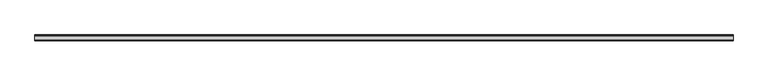
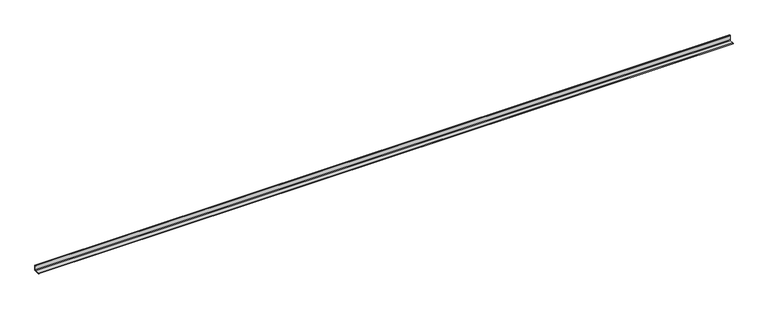
"""IFC4 building model written with IfcOpenShell, lengths in millimetres: beam geometry."""

import ifcopenshell
import ifcopenshell.guid

model = None  # the IFC model being written
_history = None  # IfcOwnerHistory: only IFC2X3 demands one
_inside = {}  # id of a spatial element -> (the spatial element, [elements in it])
_under = {}  # id of a project, library or spatial element -> (it, [spatial elements below it])
_declared = {}  # id of a project -> (the project, [libraries it declares])
_typed = {}  # id of a type object -> (the type object, [elements of that type])
_made_of = {}  # id of a material, layer set ... -> (it, [elements and type objects made of it])


def new_model(schema):
    """Start an empty IFC model of exactly this schema.

    Asked for "IFC4X3", IfcOpenShell would pick the latest addendum, in which some entities
    have other attributes; the version numbers below select the first issue.
    IFC2X3 requires an IfcOwnerHistory on every rooted entity: one is made here for all.
    """
    global model, _history
    if schema == "IFC4X3":
        model = ifcopenshell.file(schema_version=(4, 3, 0, 0))
    else:
        model = ifcopenshell.file(schema=schema)
    _inside.clear()
    _under.clear()
    _declared.clear()
    _typed.clear()
    _made_of.clear()
    _history = None
    if model.schema == "IFC2X3":
        org = make("IfcOrganization", Name="unknown")
        user = make(
            "IfcPersonAndOrganization",
            ThePerson=make("IfcPerson", FamilyName="unknown"),
            TheOrganization=org,
        )
        app = make(
            "IfcApplication",
            ApplicationDeveloper=org,
            Version="unknown",
            ApplicationFullName="unknown",
            ApplicationIdentifier="unknown",
        )
        _history = make(
            "IfcOwnerHistory",
            OwningUser=user,
            OwningApplication=app,
            ChangeAction="ADDED",
            CreationDate=0,
        )
    return model


def make(cls, **values):
    """One entity of the class cls with the attributes given. An attribute that is None is left unset."""
    return model.create_entity(
        cls, **{name: value for name, value in values.items() if value is not None}
    )


def rooted(cls, **values):
    """An entity with a GlobalId (a new one), such as an element, a storey or a relation."""
    return make(cls, GlobalId=ifcopenshell.guid.new(), OwnerHistory=_history, **values)


def si_unit(unit_type, name, prefix=None):
    """IfcSIUnit, for example si_unit("LENGTHUNIT", "METRE", prefix="MILLI")."""
    return make("IfcSIUnit", UnitType=unit_type, Prefix=prefix, Name=name)


def assignment(units):
    """IfcUnitAssignment: the units of a project."""
    return None if units is None else make("IfcUnitAssignment", Units=units)


def point(xyz):
    """IfcCartesianPoint."""
    return None if xyz is None else make("IfcCartesianPoint", Coordinates=xyz)


def direction(xyz):
    """IfcDirection."""
    return None if xyz is None else make("IfcDirection", DirectionRatios=xyz)


def frame(location, z_axis=None, x_axis=None):
    """IfcAxis2Placement3D, a coordinate frame: its origin and axes. An axis left out is left unset."""
    return make(
        "IfcAxis2Placement3D",
        Location=point(location),
        Axis=direction(z_axis),
        RefDirection=direction(x_axis),
    )


def frame_2d(location, x_axis=None):
    """IfcAxis2Placement2D, a coordinate frame in the plane: its origin and x axis."""
    return make(
        "IfcAxis2Placement2D", Location=point(location), RefDirection=direction(x_axis)
    )


def origin():
    """The frame at (0, 0, 0) with its axes left unset."""
    return frame((0.0, 0.0, 0.0))


def place(relative_to, where):
    """IfcLocalPlacement: puts the frame where relative to a parent placement (None: the world)."""
    return make(
        "IfcLocalPlacement", PlacementRelTo=relative_to, RelativePlacement=where
    )


def context(
    kind, dimensions, precision=None, world=None, true_north=None, identifier=None
):
    """IfcGeometricRepresentationContext, for example the 3D "Model" context."""
    return make(
        "IfcGeometricRepresentationContext",
        ContextIdentifier=identifier,
        ContextType=kind,
        CoordinateSpaceDimension=dimensions,
        Precision=precision,
        WorldCoordinateSystem=world,
        TrueNorth=true_north,
    )


def project(units=None, contexts=None):
    """IfcProject with its units and contexts."""
    return rooted(
        "IfcProject",
        Name="project",
        RepresentationContexts=contexts,
        UnitsInContext=assignment(units),
    )


def spatial(cls, under=None, at=None, **own):
    """A site, building, storey or space (cls), placed at a placement, below another one or the project."""
    s = rooted(cls, ObjectPlacement=at, **own)
    if under is not None:
        _under.setdefault(under.id(), (under, []))[1].append(s)
    return s


def polyline(points):
    """IfcPolyline through the points."""
    return make("IfcPolyline", Points=[point(p) for p in points])


def circle_curve(where, radius):
    """IfcCircle in the frame where."""
    return make("IfcCircle", Position=where, Radius=radius)


def trimmed(basis, trim1, trim2, sense, master):
    """IfcTrimmedCurve: the piece of a basis curve between two trims."""
    return make(
        "IfcTrimmedCurve",
        BasisCurve=basis,
        Trim1=trim1,
        Trim2=trim2,
        SenseAgreement=sense,
        MasterRepresentation=master,
    )


def segment(curve, same_sense, transition):
    """IfcCompositeCurveSegment."""
    return make(
        "IfcCompositeCurveSegment",
        Transition=transition,
        SameSense=same_sense,
        ParentCurve=curve,
    )


def composite_curve(segments, self_intersect=None):
    """IfcCompositeCurve: segments joined end to end."""
    return make("IfcCompositeCurve", Segments=segments, SelfIntersect=self_intersect)


def outline(outer, holes=None, kind="AREA"):
    """IfcArbitraryClosedProfileDef: a profile drawn as a closed curve; with holes, ...WithVoids."""
    if holes is None:
        return make("IfcArbitraryClosedProfileDef", ProfileType=kind, OuterCurve=outer)
    return make(
        "IfcArbitraryProfileDefWithVoids",
        ProfileType=kind,
        OuterCurve=outer,
        InnerCurves=holes,
    )


def extrude(swept, where, along, depth):
    """IfcExtrudedAreaSolid: the profile swept, set in the frame where, extruded along a direction by depth."""
    return make(
        "IfcExtrudedAreaSolid",
        SweptArea=swept,
        Position=where,
        ExtrudedDirection=direction(along),
        Depth=depth,
    )


def shape(context_of_items, identifier, shape_type, items):
    """IfcShapeRepresentation: the items that make up one representation, for example the "Body"."""
    return make(
        "IfcShapeRepresentation",
        ContextOfItems=context_of_items,
        RepresentationIdentifier=identifier,
        RepresentationType=shape_type,
        Items=items,
    )


def source(mapping_origin, context_of_items, identifier, shape_type, items):
    """IfcRepresentationMap: a shape defined once, which mapped items show again and again."""
    return make(
        "IfcRepresentationMap",
        MappingOrigin=mapping_origin,
        MappedRepresentation=shape(context_of_items, identifier, shape_type, items),
    )


def transform(
    local_origin,
    x_axis=None,
    y_axis=None,
    z_axis=None,
    scale=None,
    scale2=None,
    scale3=None,
    uniform=True,
):
    """IfcCartesianTransformationOperator3D, or its non-uniform kind. x_axis, y_axis, z_axis: its Axis1, 2, 3."""
    if uniform:
        return make(
            "IfcCartesianTransformationOperator3D",
            Axis1=direction(x_axis),
            Axis2=direction(y_axis),
            LocalOrigin=point(local_origin),
            Scale=scale,
            Axis3=direction(z_axis),
        )
    return make(
        "IfcCartesianTransformationOperator3DnonUniform",
        Axis1=direction(x_axis),
        Axis2=direction(y_axis),
        LocalOrigin=point(local_origin),
        Scale=scale,
        Axis3=direction(z_axis),
        Scale2=scale2,
        Scale3=scale3,
    )


def mapped(mapping_source, mapping_target):
    """IfcMappedItem: shows the shape of a source again, moved by a transform."""
    return make(
        "IfcMappedItem", MappingSource=mapping_source, MappingTarget=mapping_target
    )


def made_of(thing, what):
    """Note that an element or type object is made of a material, layer set ...; save() writes the relation."""
    if what is not None:
        _made_of.setdefault(what.id(), (what, []))[1].append(thing)
    return thing


def element(
    cls,
    number,
    at=None,
    inside=None,
    cuts=None,
    type_object=None,
    material=None,
    context=None,
    identifier="Body",
    shape_type=None,
    held_by="IfcProductDefinitionShape",
    body=None,
    shapes=None,
    **own,
):
    """One element of the class cls, such as IfcWall. Its Tag is "e" and its number.

    at: its placement. inside: the storey or other place that contains it. cuts: it is an
    opening in that element (IfcRelVoidsElement). A single representation is given by context,
    identifier, shape_type and body (its items); several are given by shapes. held_by: the class
    of the entity that holds the representations. save() writes the other relations.
    """
    e = rooted(cls, Tag="e%d" % number, ObjectPlacement=at, **own)
    if body is not None:
        shapes = [shape(context, identifier, shape_type, body)]
    if shapes is not None:
        e.Representation = make(held_by, Representations=shapes)
    if inside is not None:
        _inside.setdefault(inside.id(), (inside, []))[1].append(e)
    if cuts is not None:
        rooted(
            "IfcRelVoidsElement", RelatingBuildingElement=cuts, RelatedOpeningElement=e
        )
    if type_object is not None:
        _typed.setdefault(type_object.id(), (type_object, []))[1].append(e)
    return made_of(e, material)


def aggregate(whole, parts):
    """IfcRelAggregates: a whole, such as a stair, and the parts it consists of."""
    return rooted("IfcRelAggregates", RelatingObject=whole, RelatedObjects=parts)


def save(model, path):
    """Write the relations noted so far, then the file.

    IfcRelAggregates (storeys below a building ...), IfcRelContainedInSpatialStructure (elements
    in a storey), IfcRelDefinesByType, IfcRelAssociatesMaterial and IfcRelDeclares: one each for
    every whole, place, type object, material and project.
    """
    for whole, parts in _under.values():
        aggregate(whole, parts)
    for where, things in _inside.values():
        rooted(
            "IfcRelContainedInSpatialStructure",
            RelatedElements=things,
            RelatingStructure=where,
        )
    for kind, things in _typed.values():
        rooted("IfcRelDefinesByType", RelatedObjects=things, RelatingType=kind)
    for what, things in _made_of.values():
        rooted("IfcRelAssociatesMaterial", RelatedObjects=things, RelatingMaterial=what)
    for by, libraries in _declared.values():
        rooted("IfcRelDeclares", RelatingContext=by, RelatedDefinitions=libraries)
    model.write(path)


def beam_a674f03d(model_context):
    return source(origin(), model_context, "Body", "SweptSolid", [
        extrude(outline(composite_curve([segment(polyline([(21.3, -21.3), (-53.7, -21.3), (-53.7, -18.3)]), True, "CONTINUOUS"), segment(trimmed(circle_curve(frame_2d((-48.7, -18.3)), 5.0), [point((-53.7, -18.3))], [point((-48.7, -13.3))], False, "CARTESIAN"), True, "CONTINUOUS"), segment(polyline([(-48.7, -13.3), (5.3, -13.3)]), True, "CONTINUOUS"), segment(trimmed(circle_curve(frame_2d((5.3, -5.3)), 8.0), [point((5.3, -13.3))], [point((13.3, -5.3))], True, "CARTESIAN"), True, "CONTINUOUS"), segment(polyline([(13.3, -5.3), (13.3, 48.7)]), True, "CONTINUOUS"), segment(trimmed(circle_curve(frame_2d((18.3, 48.7)), 5.0), [point((13.3, 48.7))], [point((18.3, 53.7))], False, "CARTESIAN"), True, "CONTINUOUS"), segment(polyline([(18.3, 53.7), (21.3, 53.7), (21.3, -21.3)]), True, "CONTINUOUS")], self_intersect=False)), frame((-4517.5, 0.0, 0.0), z_axis=(1.0, 0.0, 0.0), x_axis=(0.0, 1.0, 0.0)), (0.0, 0.0, 1.0), 8980.0),
    ])


if __name__ == "__main__":
    model = new_model("IFC4")
    model_context = context("Model", 3, world=origin())
    ifc_project = project(units=[si_unit("LENGTHUNIT", "METRE", prefix="MILLI")], contexts=[model_context])
    site = spatial("IfcSite", under=ifc_project)
    building = spatial("IfcBuilding", under=site)
    placement = place(None, origin())
    beam_shape = beam_a674f03d(model_context)
    element("IfcBeam", 1, at=placement, inside=building, context=model_context, shape_type="MappedRepresentation", body=[
        mapped(beam_shape, transform((0.0, 0.0, 0.0), x_axis=(1.0, 0.0, 0.0), y_axis=(0.0, 1.0, 0.0), z_axis=(0.0, 0.0, 1.0))),
    ])
    save(model, "model.ifc")
